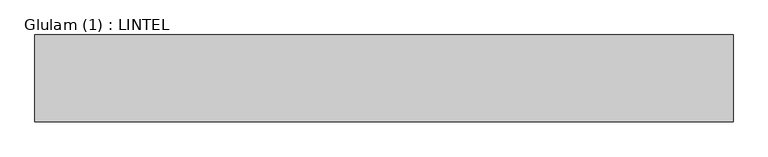
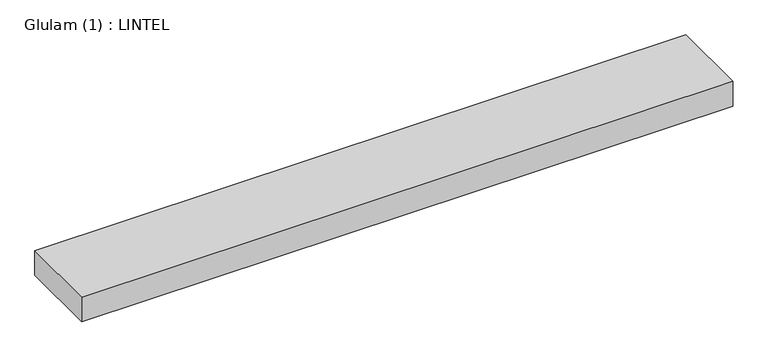
"""IFC4 building model written with IfcOpenShell, lengths in millimetres: beam geometry, Glulam (1) : LINTEL."""

from ifc_helpers import new_model, si_unit, frame, origin, place, context, project, spatial, polyline, outline, extrude, source, transform, mapped, element, save


def glulam_1_lintel_40fc4649(model_context):
    return source(origin(), model_context, "Body", "SweptSolid", [
        extrude(outline(polyline([(561.5, 70.0), (561.5, -70.0), (-561.5, -70.0), (-561.5, 70.0), (561.5, 70.0)])), frame((0.0, 0.0, -22.5), z_axis=(0.0, 0.0, 1.0), x_axis=(1.0, 0.0, 0.0)), (0.0, 0.0, 1.0), 45.0),
    ])


if __name__ == "__main__":
    model = new_model("IFC4")
    model_context = context("Model", 3, world=origin())
    ifc_project = project(units=[si_unit("LENGTHUNIT", "METRE", prefix="MILLI")], contexts=[model_context])
    site = spatial("IfcSite", under=ifc_project)
    building = spatial("IfcBuilding", under=site)
    placement = place(None, origin())
    glulam_1_lintel_shape = glulam_1_lintel_40fc4649(model_context)
    element("IfcBeam", 1, ObjectType="Glulam (1) : LINTEL", at=placement, inside=building, context=model_context, shape_type="MappedRepresentation", body=[
        mapped(glulam_1_lintel_shape, transform((0.0, 0.0, 0.0), x_axis=(1.0, 0.0, 0.0), y_axis=(0.0, 1.0, 0.0), z_axis=(0.0, 0.0, 1.0))),
    ])
    save(model, "model.ifc")
